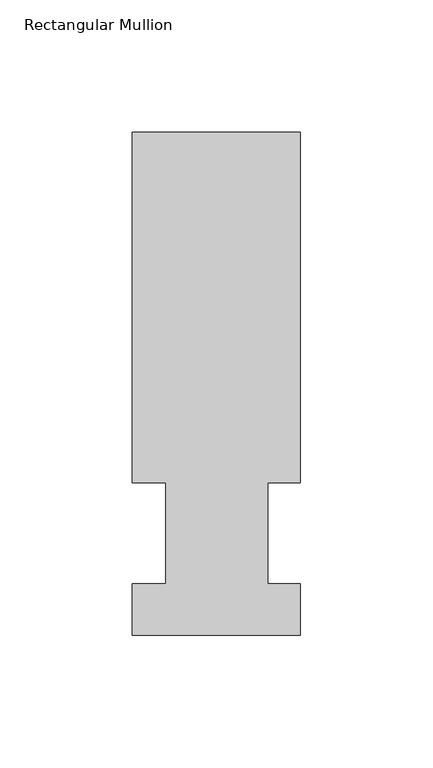
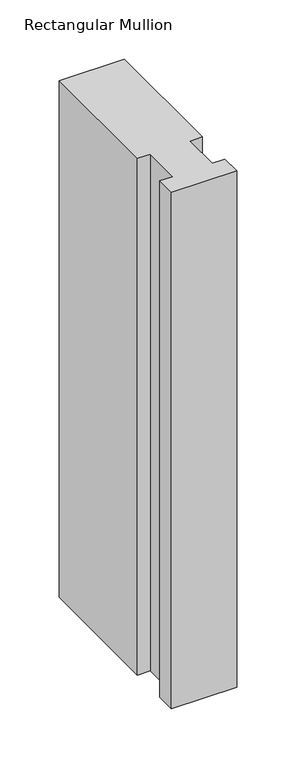
"""IFC4 building model written with IfcOpenShell, lengths in millimetres: member geometry, Rectangular Mullion."""

from ifc_helpers import new_model, si_unit, frame, origin, place, context, project, spatial, polyline, outline, extrude, source, transform, mapped, element, save


def rectangular_mullion_3ad2229c(model_context):
    return source(origin(), model_context, "Body", "SweptSolid", [
        extrude(outline(polyline([(-63.5, 57.6460937), (-63.5, 190.0816937), (0.0, 190.0816937), (0.0, 57.6460937), (-12.3418395, 57.6460937), (-12.3418395, 19.5460937), (0.0, 19.5460937), (0.0, 0.0134938), (-63.5, 0.0134938), (-63.5, 19.5460937), (-50.8, 19.5460937), (-50.8, 57.6460937), (-63.5, 57.6460937)])), frame((0.0, 0.0, -533.36825), z_axis=(0.0, 0.0, 1.0), x_axis=(1.0, 0.0, 0.0)), (0.0, 0.0, 1.0), 533.36825),
    ])


if __name__ == "__main__":
    model = new_model("IFC4")
    model_context = context("Model", 3, world=origin())
    ifc_project = project(units=[si_unit("LENGTHUNIT", "METRE", prefix="MILLI")], contexts=[model_context])
    site = spatial("IfcSite", under=ifc_project)
    building = spatial("IfcBuilding", under=site)
    placement = place(None, origin())
    rectangular_mullion_shape = rectangular_mullion_3ad2229c(model_context)
    element("IfcMember", 1, ObjectType="Rectangular Mullion", at=placement, inside=building, context=model_context, shape_type="MappedRepresentation", body=[
        mapped(rectangular_mullion_shape, transform((0.0, 0.0, 0.0), x_axis=(1.0, 0.0, 0.0), y_axis=(0.0, 1.0, 0.0), z_axis=(0.0, 0.0, 1.0))),
    ])
    save(model, "model.ifc")
